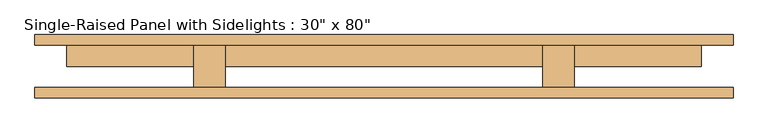
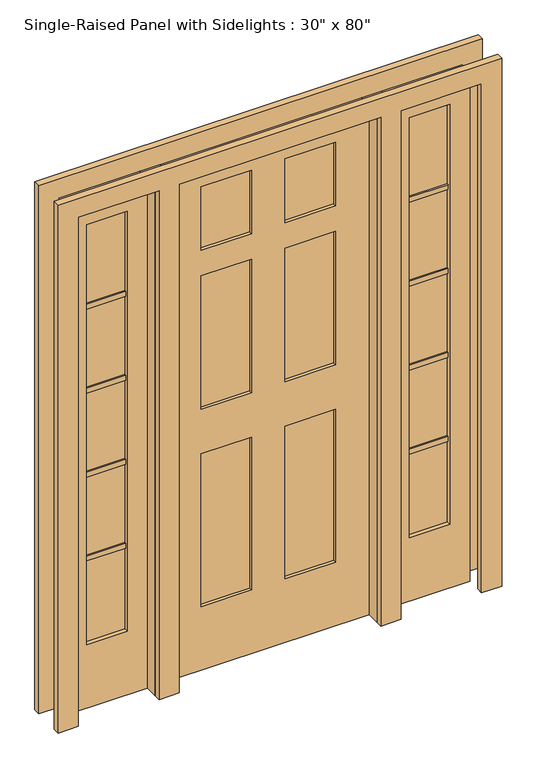
"""IFC4 building model written with IfcOpenShell, lengths in millimetres: door geometry."""

from ifc_helpers import new_model, si_unit, frame, origin, origin_with_axes, place, context, project, spatial, polyline, outline, extrude, source, transform, mapped, element, save


def door_7571c8ba(model_context):
    return source(origin(), model_context, "Body", "SweptSolid", [
        extrude(outline(polyline([(685.8, 9.525), (533.4, 9.525), (533.4, 41.275), (685.8, 41.275), (685.8, 9.525)])), frame((0.0, 0.0, 579.755), z_axis=(0.0, 0.0, 1.0), x_axis=(1.0, 0.0, 0.0)), (0.0, 0.0, 1.0), 19.05),
        extrude(outline(polyline([(685.8, 9.525), (533.4, 9.525), (533.4, 41.275), (685.8, 41.275), (685.8, 9.525)])), frame((0.0, 0.0, 915.035), z_axis=(0.0, 0.0, 1.0), x_axis=(1.0, 0.0, 0.0)), (0.0, 0.0, 1.0), 19.05),
        extrude(outline(polyline([(685.8, 9.525), (533.4, 9.525), (533.4, 41.275), (685.8, 41.275), (685.8, 9.525)])), frame((0.0, 0.0, 1250.315), z_axis=(0.0, 0.0, 1.0), x_axis=(1.0, 0.0, 0.0)), (0.0, 0.0, 1.0), 19.05),
        extrude(outline(polyline([(685.8, 9.525), (533.4, 9.525), (533.4, 41.275), (685.8, 41.275), (685.8, 9.525)])), frame((0.0, 0.0, 1585.595), z_axis=(0.0, 0.0, 1.0), x_axis=(1.0, 0.0, 0.0)), (0.0, 0.0, 1.0), 19.05),
        extrude(outline(polyline([(-533.4, 9.525), (-685.8, 9.525), (-685.8, 41.275), (-533.4, 41.275), (-533.4, 9.525)])), frame((0.0, 0.0, 1585.595), z_axis=(0.0, 0.0, 1.0), x_axis=(1.0, 0.0, 0.0)), (0.0, 0.0, 1.0), 19.05),
        extrude(outline(polyline([(-533.4, 9.525), (-685.8, 9.525), (-685.8, 41.275), (-533.4, 41.275), (-533.4, 9.525)])), frame((0.0, 0.0, 1250.315), z_axis=(0.0, 0.0, 1.0), x_axis=(1.0, 0.0, 0.0)), (0.0, 0.0, 1.0), 19.05),
        extrude(outline(polyline([(-533.4, 9.525), (-685.8, 9.525), (-685.8, 41.275), (-533.4, 41.275), (-533.4, 9.525)])), frame((0.0, 0.0, 915.035), z_axis=(0.0, 0.0, 1.0), x_axis=(1.0, 0.0, 0.0)), (0.0, 0.0, 1.0), 19.05),
        extrude(outline(polyline([(-533.4, 9.525), (-685.8, 9.525), (-685.8, 41.275), (-533.4, 41.275), (-533.4, 9.525)])), frame((0.0, 0.0, 579.755), z_axis=(0.0, 0.0, 1.0), x_axis=(1.0, 0.0, 0.0)), (0.0, 0.0, 1.0), 19.05),
        extrude(outline(polyline([(685.8, 15.875), (533.4, 15.875), (533.4, 34.925), (685.8, 34.925), (685.8, 15.875)])), frame((0.0, 0.0, 254.0), z_axis=(0.0, 0.0, 1.0), x_axis=(1.0, 0.0, 0.0)), (0.0, 0.0, 1.0), 1676.4),
        extrude(outline(polyline([(-533.4, 15.875), (-685.8, 15.875), (-685.8, 34.925), (-533.4, 34.925), (-533.4, 15.875)])), frame((0.0, 0.0, 254.0), z_axis=(0.0, 0.0, 1.0), x_axis=(1.0, 0.0, 0.0)), (0.0, 0.0, 1.0), 1676.4),
        extrude(outline(polyline([(-381.0, -50.8), (-457.2, -50.8), (-457.2, 50.8), (-381.0, 50.8), (-381.0, -50.8)])), origin_with_axes(), (0.0, 0.0, 1.0), 2032.0),
        extrude(outline(polyline([(457.2, -50.8), (381.0, -50.8), (381.0, 50.8), (457.2, 50.8), (457.2, -50.8)])), origin_with_axes(), (0.0, 0.0, 1.0), 2032.0),
        extrude(outline(polyline([(2032.0, -457.2), (2032.0, -762.0), (0.0, -762.0), (0.0, -457.2), (2032.0, -457.2)]), holes=[polyline([(1930.4, -533.4), (254.0, -533.4), (254.0, -685.8), (1930.4, -685.8), (1930.4, -533.4)])]), frame((0.0, 0.0, 0.0), z_axis=(0.0, 1.0, 0.0), x_axis=(0.0, 0.0, 1.0)), (0.0, 0.0, 1.0), 50.8),
        extrude(outline(polyline([(0.0, 457.2), (0.0, 762.0), (2032.0, 762.0), (2032.0, 457.2), (0.0, 457.2)]), holes=[polyline([(1930.4, 685.8), (254.0, 685.8), (254.0, 533.4), (1930.4, 533.4), (1930.4, 685.8)])]), frame((0.0, 0.0, 0.0), z_axis=(0.0, 1.0, 0.0), x_axis=(0.0, 0.0, 1.0)), (0.0, 0.0, 1.0), 50.8),
        extrude(outline(polyline([(0.0, -838.2), (0.0, -762.0), (2032.0, -762.0), (2032.0, -457.2), (0.0, -457.2), (0.0, -381.0), (2032.0, -381.0), (2032.0, 381.0), (0.0, 381.0), (0.0, 457.2), (2032.0, 457.2), (2032.0, 762.0), (0.0, 762.0), (0.0, 838.2), (2108.2, 838.2), (2108.2, -838.2), (0.0, -838.2)])), frame((0.0, -76.2, 0.0), z_axis=(0.0, 1.0, 0.0), x_axis=(0.0, 0.0, 1.0)), (0.0, 0.0, 1.0), 25.4),
        extrude(outline(polyline([(0.0, 838.2), (2108.2, 838.2), (2108.2, -838.2), (0.0, -838.2), (0.0, -762.0), (2032.0, -762.0), (2032.0, -457.2), (0.0, -457.2), (0.0, -381.0), (2032.0, -381.0), (2032.0, 381.0), (0.0, 381.0), (0.0, 457.2), (2032.0, 457.2), (2032.0, 762.0), (0.0, 762.0), (0.0, 838.2)])), frame((0.0, 50.8, 0.0), z_axis=(0.0, 1.0, 0.0), x_axis=(0.0, 0.0, 1.0)), (0.0, 0.0, 1.0), 25.4),
        extrude(outline(polyline([(-63.5, 12.7), (-254.0, 12.7), (-254.0, 38.1), (-63.5, 38.1), (-63.5, 12.7)])), frame((0.0, 0.0, 1676.4), z_axis=(0.0, 0.0, 1.0), x_axis=(1.0, 0.0, 0.0)), (0.0, 0.0, 1.0), 254.0),
        extrude(outline(polyline([(254.0, 12.7), (63.5, 12.7), (63.5, 38.1), (254.0, 38.1), (254.0, 12.7)])), frame((0.0, 0.0, 1676.4), z_axis=(0.0, 0.0, 1.0), x_axis=(1.0, 0.0, 0.0)), (0.0, 0.0, 1.0), 254.0),
        extrude(outline(polyline([(-63.5, 12.7), (-254.0, 12.7), (-254.0, 38.1), (-63.5, 38.1), (-63.5, 12.7)])), frame((0.0, 0.0, 1041.4), z_axis=(0.0, 0.0, 1.0), x_axis=(1.0, 0.0, 0.0)), (0.0, 0.0, 1.0), 533.4),
        extrude(outline(polyline([(254.0, 12.7), (63.5, 12.7), (63.5, 38.1), (254.0, 38.1), (254.0, 12.7)])), frame((0.0, 0.0, 1041.4), z_axis=(0.0, 0.0, 1.0), x_axis=(1.0, 0.0, 0.0)), (0.0, 0.0, 1.0), 533.4),
        extrude(outline(polyline([(-63.5, 12.7), (-254.0, 12.7), (-254.0, 38.1), (-63.5, 38.1), (-63.5, 12.7)])), frame((0.0, 0.0, 254.0), z_axis=(0.0, 0.0, 1.0), x_axis=(1.0, 0.0, 0.0)), (0.0, 0.0, 1.0), 609.6),
        extrude(outline(polyline([(254.0, 12.7), (63.5, 12.7), (63.5, 38.1), (254.0, 38.1), (254.0, 12.7)])), frame((0.0, 0.0, 254.0), z_axis=(0.0, 0.0, 1.0), x_axis=(1.0, 0.0, 0.0)), (0.0, 0.0, 1.0), 609.6),
        extrude(outline(polyline([(2032.0, 381.0), (2032.0, -381.0), (0.0, -381.0), (0.0, 381.0), (2032.0, 381.0)]), holes=[polyline([(1930.4, -63.5), (1676.4, -63.5), (1676.4, -254.0), (1930.4, -254.0), (1930.4, -63.5)]), polyline([(1930.4, 254.0), (1676.4, 254.0), (1676.4, 63.5), (1930.4, 63.5), (1930.4, 254.0)]), polyline([(1574.8, -63.5), (1041.4, -63.5), (1041.4, -254.0), (1574.8, -254.0), (1574.8, -63.5)]), polyline([(1574.8, 254.0), (1041.4, 254.0), (1041.4, 63.5), (1574.8, 63.5), (1574.8, 254.0)]), polyline([(863.6, -63.5), (254.0, -63.5), (254.0, -254.0), (863.6, -254.0), (863.6, -63.5)]), polyline([(863.6, 254.0), (254.0, 254.0), (254.0, 63.5), (863.6, 63.5), (863.6, 254.0)])]), frame((0.0, 0.0, 0.0), z_axis=(0.0, 1.0, 0.0), x_axis=(0.0, 0.0, 1.0)), (0.0, 0.0, 1.0), 50.8),
    ])


if __name__ == "__main__":
    model = new_model("IFC4")
    model_context = context("Model", 3, world=origin())
    ifc_project = project(units=[si_unit("LENGTHUNIT", "METRE", prefix="MILLI")], contexts=[model_context])
    site = spatial("IfcSite", under=ifc_project)
    building = spatial("IfcBuilding", under=site)
    placement = place(None, origin())
    door_shape = door_7571c8ba(model_context)
    element("IfcDoor", 1, ObjectType="Single-Raised Panel with Sidelights : 30\" x 80\"", at=placement, inside=building, context=model_context, shape_type="MappedRepresentation", body=[
        mapped(door_shape, transform((0.0, 0.0, 0.0), x_axis=(1.0, 0.0, 0.0), y_axis=(0.0, 1.0, 0.0), z_axis=(0.0, 0.0, 1.0))),
    ])
    save(model, "model.ifc")
